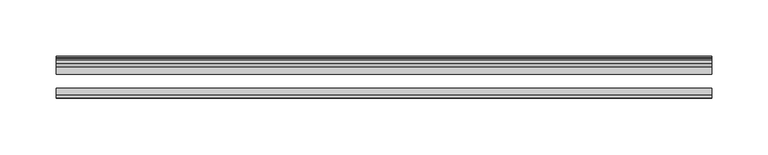
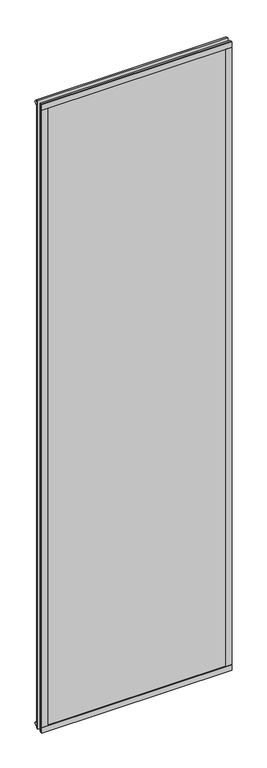
"""IFC4 building model written with IfcOpenShell, lengths in millimetres: plate geometry."""

import ifcopenshell
import ifcopenshell.guid

model = None  # the IFC model being written
_history = None  # IfcOwnerHistory: only IFC2X3 demands one
_inside = {}  # id of a spatial element -> (the spatial element, [elements in it])
_under = {}  # id of a project, library or spatial element -> (it, [spatial elements below it])
_declared = {}  # id of a project -> (the project, [libraries it declares])
_typed = {}  # id of a type object -> (the type object, [elements of that type])
_made_of = {}  # id of a material, layer set ... -> (it, [elements and type objects made of it])


def new_model(schema):
    """Start an empty IFC model of exactly this schema.

    Asked for "IFC4X3", IfcOpenShell would pick the latest addendum, in which some entities
    have other attributes; the version numbers below select the first issue.
    IFC2X3 requires an IfcOwnerHistory on every rooted entity: one is made here for all.
    """
    global model, _history
    if schema == "IFC4X3":
        model = ifcopenshell.file(schema_version=(4, 3, 0, 0))
    else:
        model = ifcopenshell.file(schema=schema)
    _inside.clear()
    _under.clear()
    _declared.clear()
    _typed.clear()
    _made_of.clear()
    _history = None
    if model.schema == "IFC2X3":
        org = make("IfcOrganization", Name="unknown")
        user = make(
            "IfcPersonAndOrganization",
            ThePerson=make("IfcPerson", FamilyName="unknown"),
            TheOrganization=org,
        )
        app = make(
            "IfcApplication",
            ApplicationDeveloper=org,
            Version="unknown",
            ApplicationFullName="unknown",
            ApplicationIdentifier="unknown",
        )
        _history = make(
            "IfcOwnerHistory",
            OwningUser=user,
            OwningApplication=app,
            ChangeAction="ADDED",
            CreationDate=0,
        )
    return model


def make(cls, **values):
    """One entity of the class cls with the attributes given. An attribute that is None is left unset."""
    return model.create_entity(
        cls, **{name: value for name, value in values.items() if value is not None}
    )


def rooted(cls, **values):
    """An entity with a GlobalId (a new one), such as an element, a storey or a relation."""
    return make(cls, GlobalId=ifcopenshell.guid.new(), OwnerHistory=_history, **values)


def si_unit(unit_type, name, prefix=None):
    """IfcSIUnit, for example si_unit("LENGTHUNIT", "METRE", prefix="MILLI")."""
    return make("IfcSIUnit", UnitType=unit_type, Prefix=prefix, Name=name)


def assignment(units):
    """IfcUnitAssignment: the units of a project."""
    return None if units is None else make("IfcUnitAssignment", Units=units)


def point(xyz):
    """IfcCartesianPoint."""
    return None if xyz is None else make("IfcCartesianPoint", Coordinates=xyz)


def direction(xyz):
    """IfcDirection."""
    return None if xyz is None else make("IfcDirection", DirectionRatios=xyz)


def frame(location, z_axis=None, x_axis=None):
    """IfcAxis2Placement3D, a coordinate frame: its origin and axes. An axis left out is left unset."""
    return make(
        "IfcAxis2Placement3D",
        Location=point(location),
        Axis=direction(z_axis),
        RefDirection=direction(x_axis),
    )


def origin():
    """The frame at (0, 0, 0) with its axes left unset."""
    return frame((0.0, 0.0, 0.0))


def origin_with_axes():
    """The frame at (0, 0, 0) with the z axis (0, 0, 1) and the x axis (1, 0, 0) written out."""
    return frame((0.0, 0.0, 0.0), z_axis=(0.0, 0.0, 1.0), x_axis=(1.0, 0.0, 0.0))


def place(relative_to, where):
    """IfcLocalPlacement: puts the frame where relative to a parent placement (None: the world)."""
    return make(
        "IfcLocalPlacement", PlacementRelTo=relative_to, RelativePlacement=where
    )


def context(
    kind, dimensions, precision=None, world=None, true_north=None, identifier=None
):
    """IfcGeometricRepresentationContext, for example the 3D "Model" context."""
    return make(
        "IfcGeometricRepresentationContext",
        ContextIdentifier=identifier,
        ContextType=kind,
        CoordinateSpaceDimension=dimensions,
        Precision=precision,
        WorldCoordinateSystem=world,
        TrueNorth=true_north,
    )


def project(units=None, contexts=None):
    """IfcProject with its units and contexts."""
    return rooted(
        "IfcProject",
        Name="project",
        RepresentationContexts=contexts,
        UnitsInContext=assignment(units),
    )


def spatial(cls, under=None, at=None, **own):
    """A site, building, storey or space (cls), placed at a placement, below another one or the project."""
    s = rooted(cls, ObjectPlacement=at, **own)
    if under is not None:
        _under.setdefault(under.id(), (under, []))[1].append(s)
    return s


def polyline(points):
    """IfcPolyline through the points."""
    return make("IfcPolyline", Points=[point(p) for p in points])


def outline(outer, holes=None, kind="AREA"):
    """IfcArbitraryClosedProfileDef: a profile drawn as a closed curve; with holes, ...WithVoids."""
    if holes is None:
        return make("IfcArbitraryClosedProfileDef", ProfileType=kind, OuterCurve=outer)
    return make(
        "IfcArbitraryProfileDefWithVoids",
        ProfileType=kind,
        OuterCurve=outer,
        InnerCurves=holes,
    )


def extrude(swept, where, along, depth):
    """IfcExtrudedAreaSolid: the profile swept, set in the frame where, extruded along a direction by depth."""
    return make(
        "IfcExtrudedAreaSolid",
        SweptArea=swept,
        Position=where,
        ExtrudedDirection=direction(along),
        Depth=depth,
    )


def shape(context_of_items, identifier, shape_type, items):
    """IfcShapeRepresentation: the items that make up one representation, for example the "Body"."""
    return make(
        "IfcShapeRepresentation",
        ContextOfItems=context_of_items,
        RepresentationIdentifier=identifier,
        RepresentationType=shape_type,
        Items=items,
    )


def source(mapping_origin, context_of_items, identifier, shape_type, items):
    """IfcRepresentationMap: a shape defined once, which mapped items show again and again."""
    return make(
        "IfcRepresentationMap",
        MappingOrigin=mapping_origin,
        MappedRepresentation=shape(context_of_items, identifier, shape_type, items),
    )


def transform(
    local_origin,
    x_axis=None,
    y_axis=None,
    z_axis=None,
    scale=None,
    scale2=None,
    scale3=None,
    uniform=True,
):
    """IfcCartesianTransformationOperator3D, or its non-uniform kind. x_axis, y_axis, z_axis: its Axis1, 2, 3."""
    if uniform:
        return make(
            "IfcCartesianTransformationOperator3D",
            Axis1=direction(x_axis),
            Axis2=direction(y_axis),
            LocalOrigin=point(local_origin),
            Scale=scale,
            Axis3=direction(z_axis),
        )
    return make(
        "IfcCartesianTransformationOperator3DnonUniform",
        Axis1=direction(x_axis),
        Axis2=direction(y_axis),
        LocalOrigin=point(local_origin),
        Scale=scale,
        Axis3=direction(z_axis),
        Scale2=scale2,
        Scale3=scale3,
    )


def mapped(mapping_source, mapping_target):
    """IfcMappedItem: shows the shape of a source again, moved by a transform."""
    return make(
        "IfcMappedItem", MappingSource=mapping_source, MappingTarget=mapping_target
    )


def made_of(thing, what):
    """Note that an element or type object is made of a material, layer set ...; save() writes the relation."""
    if what is not None:
        _made_of.setdefault(what.id(), (what, []))[1].append(thing)
    return thing


def element(
    cls,
    number,
    at=None,
    inside=None,
    cuts=None,
    type_object=None,
    material=None,
    context=None,
    identifier="Body",
    shape_type=None,
    held_by="IfcProductDefinitionShape",
    body=None,
    shapes=None,
    **own,
):
    """One element of the class cls, such as IfcWall. Its Tag is "e" and its number.

    at: its placement. inside: the storey or other place that contains it. cuts: it is an
    opening in that element (IfcRelVoidsElement). A single representation is given by context,
    identifier, shape_type and body (its items); several are given by shapes. held_by: the class
    of the entity that holds the representations. save() writes the other relations.
    """
    e = rooted(cls, Tag="e%d" % number, ObjectPlacement=at, **own)
    if body is not None:
        shapes = [shape(context, identifier, shape_type, body)]
    if shapes is not None:
        e.Representation = make(held_by, Representations=shapes)
    if inside is not None:
        _inside.setdefault(inside.id(), (inside, []))[1].append(e)
    if cuts is not None:
        rooted(
            "IfcRelVoidsElement", RelatingBuildingElement=cuts, RelatedOpeningElement=e
        )
    if type_object is not None:
        _typed.setdefault(type_object.id(), (type_object, []))[1].append(e)
    return made_of(e, material)


def aggregate(whole, parts):
    """IfcRelAggregates: a whole, such as a stair, and the parts it consists of."""
    return rooted("IfcRelAggregates", RelatingObject=whole, RelatedObjects=parts)


def save(model, path):
    """Write the relations noted so far, then the file.

    IfcRelAggregates (storeys below a building ...), IfcRelContainedInSpatialStructure (elements
    in a storey), IfcRelDefinesByType, IfcRelAssociatesMaterial and IfcRelDeclares: one each for
    every whole, place, type object, material and project.
    """
    for whole, parts in _under.values():
        aggregate(whole, parts)
    for where, things in _inside.values():
        rooted(
            "IfcRelContainedInSpatialStructure",
            RelatedElements=things,
            RelatingStructure=where,
        )
    for kind, things in _typed.values():
        rooted("IfcRelDefinesByType", RelatedObjects=things, RelatingType=kind)
    for what, things in _made_of.values():
        rooted("IfcRelAssociatesMaterial", RelatedObjects=things, RelatingMaterial=what)
    for by, libraries in _declared.values():
        rooted("IfcRelDeclares", RelatingContext=by, RelatedDefinitions=libraries)
    model.write(path)


def plate_63ef1cd4(model_context):
    return source(origin(), model_context, "Body", "SweptSolid", [
        extrude(outline(polyline([(290.5125, -44.4293643), (290.5125, -46.7153636), (-290.5125, -46.7153636), (-290.5125, -44.4293643), (290.5125, -44.4293643)])), frame((0.0, 0.0, 1993.8873003), z_axis=(0.0, 0.0, 1.0), x_axis=(1.0, 0.0, 0.0)), (0.0, 0.0, 1.0), 17.4752),
        extrude(outline(polyline([(290.5125, -44.4293643), (290.5125, -46.7153636), (-290.5125, -46.7153636), (-290.5125, -44.4293643), (290.5125, -44.4293643)])), frame((0.0, 0.0, -17.4625), z_axis=(0.0, 0.0, 1.0), x_axis=(1.0, 0.0, 0.0)), (0.0, 0.0, 1.0), 17.4752),
        extrude(outline(polyline([(-16.311566, -12.4459992), (-19.5373643, -9.7597211), (-19.5373643, 1.1616223), (-13.365166, -0.5079992), (-13.365166, -5.7149992), (-10.9849691, -6.0959992), (-11.4449023, -4.6804701), (-10.6436881, -4.6804701), (-9.936166, -6.8579992), (-10.6436881, -9.0355282), (-11.4449023, -9.0355282), (-10.9849691, -7.6199992), (-13.365166, -8.0009992), (-13.365166, -12.4459992), (-16.311566, -12.4459992)])), frame((-290.5125, 0.0, 0.0), z_axis=(1.0, 0.0, 0.0), x_axis=(0.0, 1.0, 0.0)), (0.0, 0.0, 1.0), 581.025),
        extrude(outline(polyline([(-16.311566, 2006.3459995), (-13.365166, 2006.3459995), (-13.365166, 2001.9009995), (-10.9849691, 2001.5199995), (-11.4449023, 2002.9355285), (-10.6436881, 2002.9355285), (-9.936166, 2000.7579995), (-10.6436881, 1998.5804704), (-11.4449023, 1998.5804704), (-10.9849691, 1999.9959995), (-13.365166, 1999.6149995), (-13.365166, 1994.4079995), (-19.5373643, 1992.738378), (-19.5373643, 2003.6597214), (-16.311566, 2006.3459995)])), frame((-290.5125, 0.0, 0.0), z_axis=(1.0, 0.0, 0.0), x_axis=(0.0, 1.0, 0.0)), (0.0, 0.0, 1.0), 581.025),
        extrude(outline(polyline([(-271.8883777, -19.5373643), (-282.8097211, -19.5373643), (-285.4959992, -16.311566), (-285.4959992, -13.365166), (-281.0509992, -13.365166), (-280.6699992, -10.9849691), (-282.0855282, -11.4449023), (-282.0855282, -10.6436881), (-279.9079992, -9.936166), (-277.7304701, -10.6436881), (-277.7304701, -11.4449023), (-279.1459992, -10.9849691), (-278.7649992, -13.365166), (-273.5579992, -13.365166), (-271.8883777, -19.5373643)])), origin_with_axes(), (0.0, 0.0, 1.0), 1993.9000003),
        extrude(outline(polyline([(-273.0373, -44.4293643), (-273.0373, -46.7153636), (-290.5125, -46.7153636), (-290.5125, -44.4293643), (-273.0373, -44.4293643)])), origin_with_axes(), (0.0, 0.0, 1.0), 1993.9000003),
        extrude(outline(polyline([(271.9010779, -19.5373643), (273.5706994, -13.365166), (278.7776994, -13.365166), (279.1586994, -10.9849691), (277.7431703, -11.4449023), (277.7431703, -10.6436881), (279.9206994, -9.936166), (282.0982284, -10.6436881), (282.0982284, -11.4449023), (280.6826994, -10.9849691), (281.0636994, -13.365166), (285.5086994, -13.365166), (285.5086994, -16.311566), (282.8224213, -19.5373643), (271.9010779, -19.5373643)])), origin_with_axes(), (0.0, 0.0, 1.0), 1993.9000003),
        extrude(outline(polyline([(290.5252002, -46.7153636), (273.0499998, -46.7153636), (273.0499998, -44.4293643), (290.5252002, -44.4293643), (290.5252002, -46.7153636)])), origin_with_axes(), (0.0, 0.0, 1.0), 1993.9000003),
        extrude(outline(polyline([(290.5125, -19.5373643), (290.5125, -25.8250158), (-290.5125, -25.8250158), (-290.5125, -19.5373643), (290.5125, -19.5373643)])), frame((0.0, 0.0, -17.4497998), z_axis=(0.0, 0.0, 1.0), x_axis=(1.0, 0.0, 0.0)), (0.0, 0.0, 1.0), 2028.8123001),
        extrude(outline(polyline([(-290.5125, -44.4293643), (-290.5125, -38.1186142), (290.5125, -38.1186142), (290.5125, -44.4293643), (-290.5125, -44.4293643)])), frame((0.0, 0.0, -17.4497998), z_axis=(0.0, 0.0, 1.0), x_axis=(1.0, 0.0, 0.0)), (0.0, 0.0, 1.0), 2028.8123001),
    ])


if __name__ == "__main__":
    model = new_model("IFC4")
    model_context = context("Model", 3, world=origin())
    ifc_project = project(units=[si_unit("LENGTHUNIT", "METRE", prefix="MILLI")], contexts=[model_context])
    site = spatial("IfcSite", under=ifc_project)
    building = spatial("IfcBuilding", under=site)
    placement = place(None, origin())
    plate_shape = plate_63ef1cd4(model_context)
    element("IfcPlate", 1, at=placement, inside=building, context=model_context, shape_type="MappedRepresentation", body=[
        mapped(plate_shape, transform((0.0, 0.0, 0.0), x_axis=(1.0, 0.0, 0.0), y_axis=(0.0, 1.0, 0.0), z_axis=(0.0, 0.0, 1.0))),
    ])
    save(model, "model.ifc")
